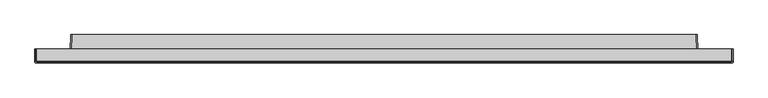
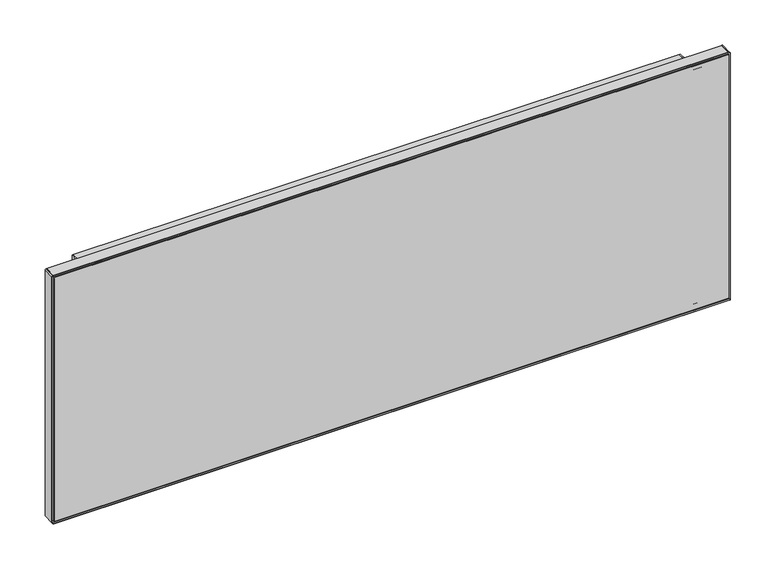
"""IFC4 building model written with IfcOpenShell, lengths in millimetres: furniture geometry."""

from ifc_helpers import new_model, si_unit, point, frame, frame_2d, origin, place, context, project, spatial, polyline, circle_curve, trimmed, segment, composite_curve, outline, extrude, source, transform, mapped, element, save
from ifc_brep_helpers import plane_surface, revolved_surface, advanced_brep


def furniture_68f5339c(model_context):
    return source(origin(), model_context, "Body", "SolidModel", [
        extrude(outline(composite_curve([segment(polyline([(755.6500271, -19.2024), (755.6214717, -20.0180395)]), True, "CONTINUOUS"), segment(trimmed(circle_curve(frame_2d((754.1511112, -20.0180395)), 1.4703605), [point((755.6214717, -20.0180395))], [point((754.1511112, -21.4884))], False, "CARTESIAN"), True, "CONTINUOUS"), segment(polyline([(754.1511112, -21.4884), (-296.9511112, -21.4884)]), True, "CONTINUOUS"), segment(trimmed(circle_curve(frame_2d((-296.9511112, -20.0180395)), 1.4703605), [point((-296.9511112, -21.4884))], [point((-298.4214717, -20.0180395))], False, "CARTESIAN"), True, "CONTINUOUS"), segment(polyline([(-298.4214717, -20.0180395), (-298.4500271, -19.2024), (755.6500271, -19.2024)]), True, "CONTINUOUS")], self_intersect=False)), frame((0.0, 0.0, 965.2), z_axis=(0.0, 0.0, 1.0), x_axis=(1.0, 0.0, 0.0)), (0.0, 0.0, 1.0), 0.381),
        extrude(outline(polyline([(753.2370277, -18.1863993), (-296.0370277, -18.1863993), (-296.0370277, 0.0), (753.2370277, 0.0), (753.2370277, -18.1863993)])), frame((0.0, 0.0, 1368.8059932), z_axis=(0.0, 0.0, 1.0), x_axis=(1.0, 0.0, 0.0)), (0.0, 0.0, 1.0), 2.4130068),
        extrude(outline(composite_curve([segment(polyline([(965.2, -298.4500271), (965.2, -296.0370277), (1371.219, -296.0370277), (1371.219, -296.9269732)]), True, "CONTINUOUS"), segment(trimmed(circle_curve(frame_2d((1369.6959462, -296.9269732)), 1.5230538), [point((1371.219, -296.9269732))], [point((1369.6959462, -298.4500271))], False, "CARTESIAN"), True, "CONTINUOUS"), segment(polyline([(1369.6959462, -298.4500271), (965.2, -298.4500271)]), True, "CONTINUOUS")], self_intersect=False)), frame((0.0, -18.1863993, 0.0), z_axis=(0.0, 1.0, 0.0), x_axis=(0.0, 0.0, 1.0)), (0.0, 0.0, 1.0), 18.1863993),
        extrude(outline(composite_curve([segment(polyline([(965.2, 755.6500271), (1369.6959462, 755.6500271)]), True, "CONTINUOUS"), segment(trimmed(circle_curve(frame_2d((1369.6959462, 754.1269732)), 1.5230538), [point((1369.6959462, 755.6500271))], [point((1371.219, 754.1269732))], False, "CARTESIAN"), True, "CONTINUOUS"), segment(polyline([(1371.219, 754.1269732), (1371.219, 753.2370277), (965.2, 753.2370277), (965.2, 755.6500271)]), True, "CONTINUOUS")], self_intersect=False)), frame((0.0, -18.1863993, 0.0), z_axis=(0.0, 1.0, 0.0), x_axis=(0.0, 0.0, 1.0)), (0.0, 0.0, 1.0), 18.1863993),
        advanced_brep(
        [(-248.0872202, -7.7797585, 1368.8059932), (705.2872201, -7.7797585, 1368.8059932), (700.9954857, -5.6133993, 1368.8059932), (-243.7954857, -5.6133993, 1368.8059932), (-248.0872202, -7.7797585, 1290.3925745), (-243.7954857, -5.6133993, 1290.3925745), (700.9954857, -5.6133993, 1290.3925745), (705.2872201, -7.7797585, 1290.3925745)],
        [
            (0, 1),
            (1, 2, circle_curve(frame((705.2872201, -2.4454407, 1368.8059932), z_axis=(0.0, 0.0, -1.0), x_axis=(0.0, -1.0, 0.0)), 5.3343178)),
            (2, 3),
            (3, 0, circle_curve(frame((-248.0872202, -2.4454407, 1368.8059932), z_axis=(0.0, 0.0, -1.0), x_axis=(0.0, -1.0, 0.0)), 5.3343178)),
            (4, 5, circle_curve(frame((-248.0872202, -2.4454407, 1290.3925745), z_axis=(0.0, 0.0, 1.0), x_axis=(0.0, -1.0, 0.0)), 5.3343178)),
            (5, 6),
            (6, 7, circle_curve(frame((705.2872201, -2.4454407, 1290.3925745), z_axis=(0.0, 0.0, 1.0), x_axis=(0.0, -1.0, 0.0)), 5.3343178)),
            (7, 4),
            (0, 4),
            (7, 1),
            (6, 2),
            (5, 3),
        ],
        [
            plane_surface(frame((705.2872201, -7.7797585, 1368.8059932), z_axis=(0.0, 0.0, 1.0), x_axis=(1.0, 0.0, 0.0))),
            plane_surface(frame((705.2872201, -7.7797585, 1290.3925745), z_axis=(0.0, 0.0, -1.0), x_axis=(-1.0, 0.0, 0.0))),
            plane_surface(frame((-248.0872202, -7.7797585, 1368.8059932), z_axis=(0.0, -1.0, 0.0), x_axis=(0.0, 0.0, -1.0))),
            revolved_surface(polyline([(705.2872201, -7.7797585, 1290.3925745), (705.2872201, -7.7797585, 1368.8059932)]), (705.2872201, -2.4454407, 1290.3925745), (0.0, 0.0, -1.0)),
            plane_surface(frame((700.9954857, -5.6133993, 1368.8059932), z_axis=(0.0, 1.0, 0.0), x_axis=(0.0, 0.0, -1.0))),
            revolved_surface(polyline([(-248.0872202, -7.7797585, 1290.3925745), (-248.0872202, -7.7797585, 1368.8059932)]), (-248.0872202, -2.4454407, 1290.3925745), (0.0, 0.0, -1.0)),
        ],
        [
            (0, [[1, 2, 3, 4]]),
            (1, [[5, 6, 7, 8]]),
            (2, [[-1, 9, -8, 10]]),
            (3, [[-2, -10, -7, 11]]),
            (4, [[-3, -11, -6, 12]]),
            (5, [[-4, -12, -5, -9]]),
        ],
    ),
        extrude(outline(composite_curve([segment(polyline([(-241.9124688, 21.4884), (699.1124688, 21.4884), (699.9561626, -2.6319134)]), True, "CONTINUOUS"), segment(trimmed(circle_curve(frame_2d((705.2872202, -2.4454407)), 5.3343178), [point((699.9561626, -2.6319134))], [point((705.2872202, -7.7797585))], True, "CARTESIAN"), True, "CONTINUOUS"), segment(polyline([(705.2872202, -7.7797585), (743.442925, -7.7797585), (743.8404196, -19.2024), (-286.6404196, -19.2024), (-286.242925, -7.7797585), (-248.0872202, -7.7797585)]), True, "CONTINUOUS"), segment(trimmed(circle_curve(frame_2d((-248.0872202, -2.4454407)), 5.3343178), [point((-248.0872202, -7.7797585))], [point((-242.7561626, -2.6319134))], True, "CARTESIAN"), True, "CONTINUOUS"), segment(polyline([(-242.7561626, -2.6319134), (-241.9124688, 21.4884)]), True, "CONTINUOUS")], self_intersect=False)), frame((0.0, 0.0, 974.7006414), z_axis=(0.0, 0.0, 1.0), x_axis=(1.0, 0.0, 0.0)), (0.0, 0.0, 1.0), 2.1314735),
        extrude(outline(composite_curve([segment(polyline([(699.1124688, 21.4884), (699.9561626, -2.6319134)]), True, "CONTINUOUS"), segment(trimmed(circle_curve(frame_2d((705.2872202, -2.4454407)), 5.3343178), [point((699.9561626, -2.6319134))], [point((705.2872202, -7.7797585))], True, "CARTESIAN"), True, "CONTINUOUS"), segment(polyline([(705.2872202, -7.7797585), (743.442925, -7.7797585), (743.8404196, -19.2024), (-286.6404196, -19.2024), (-286.242925, -7.7797585), (-248.0872202, -7.7797585)]), True, "CONTINUOUS"), segment(trimmed(circle_curve(frame_2d((-248.0872202, -2.4454407)), 5.3343178), [point((-248.0872202, -7.7797585))], [point((-242.7561626, -2.6319134))], True, "CARTESIAN"), True, "CONTINUOUS"), segment(polyline([(-242.7561626, -2.6319134), (-241.9124688, 21.4884), (699.1124688, 21.4884)]), True, "CONTINUOUS")], self_intersect=False)), frame((0.0, 0.0, 1360.2730475), z_axis=(0.0, 0.0, 1.0), x_axis=(1.0, 0.0, 0.0)), (0.0, 0.0, 1.0), 2.1307929),
        extrude(outline(composite_curve([segment(polyline([(-286.6404196, -19.2024), (-288.9250265, -19.2024), (-288.5275319, -7.819618)]), True, "CONTINUOUS"), segment(trimmed(circle_curve(frame_2d((-286.2429251, -7.899398)), 2.2859994), [point((-288.5275319, -7.819618))], [point((-286.244677, -5.6133993))], False, "CARTESIAN"), True, "CONTINUOUS"), segment(polyline([(-286.244677, -5.6133993), (-248.0867062, -5.6133993)]), True, "CONTINUOUS"), segment(trimmed(circle_curve(frame_2d((-248.0867062, -2.5656117)), 3.0477876), [point((-248.0867062, -5.6133993))], [point((-245.0407752, -2.6719784))], True, "CARTESIAN"), True, "CONTINUOUS"), segment(polyline([(-245.0407752, -2.6719784), (-244.1970722, 21.4884), (-241.9124688, 21.4884), (-242.7561626, -2.6319132)]), True, "CONTINUOUS"), segment(trimmed(circle_curve(frame_2d((-248.0872202, -2.4454407)), 5.3343178), [point((-242.7561626, -2.6319132))], [point((-248.0872202, -7.7797585))], False, "CARTESIAN"), True, "CONTINUOUS"), segment(polyline([(-248.0872202, -7.7797585), (-286.2429251, -7.7797585), (-286.6404196, -19.2024)]), True, "CONTINUOUS")], self_intersect=False)), frame((0.0, 0.0, 974.7006414), z_axis=(0.0, 0.0, 1.0), x_axis=(1.0, 0.0, 0.0)), (0.0, 0.0, 1.0), 387.703199),
        extrude(outline(composite_curve([segment(polyline([(743.8404196, -19.2024), (743.442925, -7.7797585), (705.2872202, -7.7797585)]), True, "CONTINUOUS"), segment(trimmed(circle_curve(frame_2d((705.2872202, -2.4454407)), 5.3343178), [point((705.2872202, -7.7797585))], [point((699.9561626, -2.6319134))], False, "CARTESIAN"), True, "CONTINUOUS"), segment(polyline([(699.9561626, -2.6319134), (699.1124688, 21.4884), (701.3970722, 21.4884), (702.2407752, -2.6719787)]), True, "CONTINUOUS"), segment(trimmed(circle_curve(frame_2d((705.2867062, -2.5656117)), 3.0477876), [point((702.2407752, -2.6719787))], [point((705.2867062, -5.6133993))], True, "CARTESIAN"), True, "CONTINUOUS"), segment(polyline([(705.2867062, -5.6133993), (743.444677, -5.6133993)]), True, "CONTINUOUS"), segment(trimmed(circle_curve(frame_2d((743.442925, -7.899398)), 2.2859994), [point((743.444677, -5.6133993))], [point((745.7275319, -7.819618))], False, "CARTESIAN"), True, "CONTINUOUS"), segment(polyline([(745.7275319, -7.819618), (746.1250265, -19.2024), (743.8404196, -19.2024)]), True, "CONTINUOUS")], self_intersect=False)), frame((0.0, 0.0, 974.7006414), z_axis=(0.0, 0.0, 1.0), x_axis=(1.0, 0.0, 0.0)), (0.0, 0.0, 1.0), 387.703199),
        extrude(outline(composite_curve([segment(polyline([(1369.1870019, 752.093964), (1369.1870019, -294.8940288)]), True, "CONTINUOUS"), segment(trimmed(circle_curve(frame_2d((1367.6630034, -294.8940288)), 1.5239985), [point((1369.1870019, -294.8940288))], [point((1367.6630034, -296.4180273))], False, "CARTESIAN"), True, "CONTINUOUS"), segment(polyline([(1367.6630034, -296.4180273), (968.7306002, -296.4180273)]), True, "CONTINUOUS"), segment(trimmed(circle_curve(frame_2d((968.7306002, -294.8940269)), 1.5240004), [point((968.7306002, -296.4180273))], [point((967.2065998, -294.8940269))], False, "CARTESIAN"), True, "CONTINUOUS"), segment(polyline([(967.2065998, -294.8940269), (967.2065998, 752.093964)]), True, "CONTINUOUS"), segment(trimmed(circle_curve(frame_2d((968.7305983, 752.093964)), 1.5239985), [point((967.2065998, 752.093964))], [point((968.7305983, 753.6179626))], False, "CARTESIAN"), True, "CONTINUOUS"), segment(polyline([(968.7305983, 753.6179626), (1367.6630034, 753.6179626)]), True, "CONTINUOUS"), segment(trimmed(circle_curve(frame_2d((1367.6630034, 752.093964)), 1.5239985), [point((1367.6630034, 753.6179626))], [point((1369.1870019, 752.093964))], False, "CARTESIAN"), True, "CONTINUOUS")], self_intersect=False), holes=[polyline([(1362.4038404, -288.9250265), (1362.4038404, 746.1249606), (974.7006414, 746.1249606), (974.7006414, -288.9250265), (1362.4038404, -288.9250265)])]), frame((0.0, -19.2024, 0.0), z_axis=(0.0, 1.0, 0.0), x_axis=(0.0, 0.0, 1.0)), (0.0, 0.0, 1.0), 1.0160007),
        extrude(outline(composite_curve([segment(polyline([(967.5875998, -294.8940273), (967.5875998, 753.2370277), (1367.6629307, 753.2370277)]), True, "CONTINUOUS"), segment(trimmed(circle_curve(frame_2d((1367.6629307, 752.0939652)), 1.1430625), [point((1367.6629307, 753.2370277))], [point((1368.8059932, 752.0939652))], False, "CARTESIAN"), True, "CONTINUOUS"), segment(polyline([(1368.8059932, 752.0939652), (1368.8059932, -294.8940378)]), True, "CONTINUOUS"), segment(trimmed(circle_curve(frame_2d((1367.6630034, -294.8940378)), 1.1429898), [point((1368.8059932, -294.8940378))], [point((1367.6630034, -296.0370277))], False, "CARTESIAN"), True, "CONTINUOUS"), segment(polyline([(1367.6630034, -296.0370277), (968.7306002, -296.0370277)]), True, "CONTINUOUS"), segment(trimmed(circle_curve(frame_2d((968.7306002, -294.8940273)), 1.1430003), [point((968.7306002, -296.0370277))], [point((967.5875998, -294.8940273))], False, "CARTESIAN"), True, "CONTINUOUS")], self_intersect=False)), frame((0.0, -20.0180109, 0.0), z_axis=(0.0, 1.0, 0.0), x_axis=(0.0, 0.0, 1.0)), (0.0, 0.0, 1.0), 0.8156109),
        extrude(outline(composite_curve([segment(trimmed(circle_curve(frame_2d((1369.6959462, -296.9269732)), 1.5230538), [point((1371.219, -296.9269732))], [point((1369.6959462, -298.4500271))], False, "CARTESIAN"), True, "CONTINUOUS"), segment(polyline([(1369.6959462, -298.4500271), (965.581, -298.4500271), (965.581, 755.6500271), (1369.6959462, 755.6500271)]), True, "CONTINUOUS"), segment(trimmed(circle_curve(frame_2d((1369.6959462, 754.1269732)), 1.5230538), [point((1369.6959462, 755.6500271))], [point((1371.219, 754.1269732))], False, "CARTESIAN"), True, "CONTINUOUS"), segment(polyline([(1371.219, 754.1269732), (1371.219, -296.9269732)]), True, "CONTINUOUS")], self_intersect=False), holes=[composite_curve([segment(trimmed(circle_curve(frame_2d((968.7305983, 752.093964)), 1.5239985), [point((968.7305983, 753.6179626))], [point((967.2065998, 752.093964))], True, "CARTESIAN"), True, "CONTINUOUS"), segment(polyline([(967.2065998, 752.093964), (967.2065998, -294.8940269)]), True, "CONTINUOUS"), segment(trimmed(circle_curve(frame_2d((968.7306002, -294.8940269)), 1.5240004), [point((967.2065998, -294.8940269))], [point((968.7306002, -296.4180273))], True, "CARTESIAN"), True, "CONTINUOUS"), segment(polyline([(968.7306002, -296.4180273), (1367.6630034, -296.4180273)]), True, "CONTINUOUS"), segment(trimmed(circle_curve(frame_2d((1367.6630034, -294.8940288)), 1.5239985), [point((1367.6630034, -296.4180273))], [point((1369.1870019, -294.8940288))], True, "CARTESIAN"), True, "CONTINUOUS"), segment(polyline([(1369.1870019, -294.8940288), (1369.1870019, 752.093964)]), True, "CONTINUOUS"), segment(trimmed(circle_curve(frame_2d((1367.6630034, 752.093964)), 1.5239985), [point((1369.1870019, 752.093964))], [point((1367.6630034, 753.6179626))], True, "CARTESIAN"), True, "CONTINUOUS"), segment(polyline([(1367.6630034, 753.6179626), (968.7305983, 753.6179626)]), True, "CONTINUOUS")], self_intersect=False)]), frame((0.0, -19.2024, 0.0), z_axis=(0.0, 1.0, 0.0), x_axis=(0.0, 0.0, 1.0)), (0.0, 0.0, 1.0), 1.0160007),
    ])


if __name__ == "__main__":
    model = new_model("IFC4")
    model_context = context("Model", 3, world=origin())
    ifc_project = project(units=[si_unit("LENGTHUNIT", "METRE", prefix="MILLI")], contexts=[model_context])
    site = spatial("IfcSite", under=ifc_project)
    building = spatial("IfcBuilding", under=site)
    placement = place(None, origin())
    furniture_shape = furniture_68f5339c(model_context)
    element("IfcFurniture", 1, at=placement, inside=building, context=model_context, shape_type="MappedRepresentation", body=[
        mapped(furniture_shape, transform((0.0, 0.0, 0.0), x_axis=(1.0, 0.0, 0.0), y_axis=(0.0, 1.0, 0.0), z_axis=(0.0, 0.0, 1.0))),
    ])
    save(model, "model.ifc")
